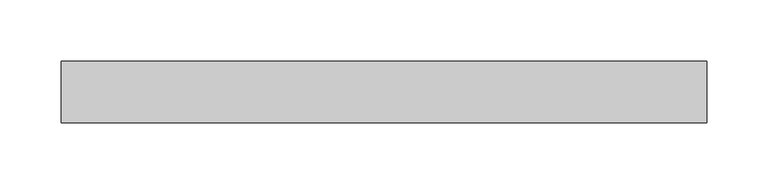
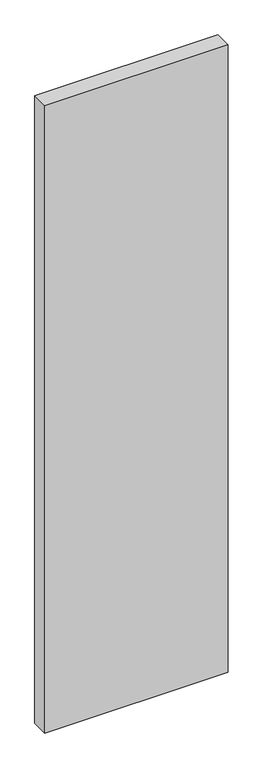
"""IFC4 building model written with IfcOpenShell, lengths in millimetres: plate geometry."""

from ifc_helpers import new_model, si_unit, origin, origin_with_axes, place, context, project, spatial, polyline, outline, extrude, source, transform, mapped, element, save


def plate_dd9e7dd6(model_context):
    return source(origin(), model_context, "Body", "SweptSolid", [
        extrude(outline(polyline([(262.5, -25.0), (-262.5, -25.0), (-262.5, 25.0), (262.5, 25.0), (262.5, -25.0)])), origin_with_axes(), (0.0, 0.0, 1.0), 1900.0),
    ])


if __name__ == "__main__":
    model = new_model("IFC4")
    model_context = context("Model", 3, world=origin())
    ifc_project = project(units=[si_unit("LENGTHUNIT", "METRE", prefix="MILLI")], contexts=[model_context])
    site = spatial("IfcSite", under=ifc_project)
    building = spatial("IfcBuilding", under=site)
    placement = place(None, origin())
    plate_shape = plate_dd9e7dd6(model_context)
    element("IfcPlate", 1, at=placement, inside=building, context=model_context, shape_type="MappedRepresentation", body=[
        mapped(plate_shape, transform((0.0, 0.0, 0.0), x_axis=(1.0, 0.0, 0.0), y_axis=(0.0, 1.0, 0.0), z_axis=(0.0, 0.0, 1.0))),
    ])
    save(model, "model.ifc")
